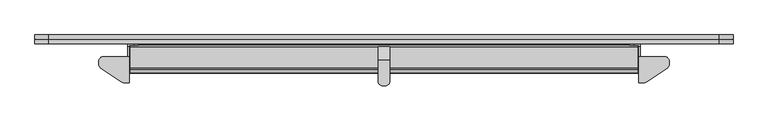
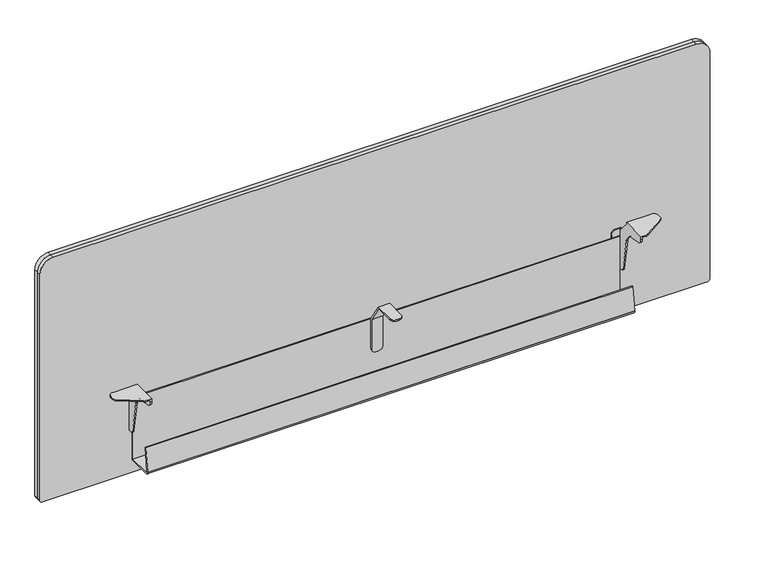
"""IFC4 building model written with IfcOpenShell, lengths in millimetres: furniture geometry."""

from ifc_helpers import new_model, si_unit, point, frame, frame_2d, origin, place, context, project, spatial, polyline, circle_curve, trimmed, segment, composite_curve, outline, extrude, source, transform, mapped, element, save
from ifc_brep_helpers import plane_surface, cylinder_surface, revolved_surface, advanced_brep


def furniture_73916bca(model_context):
    return source(origin(), model_context, "Body", "SolidModel", [
        advanced_brep(
        [(749.2997169, -57.9120008, 711.1999758), (749.2997169, -57.9120008, 708.1519787), (758.8247169, -67.4370008, 708.1519787), (758.8247169, -67.4370008, 711.1999758), (774.6996927, -57.9120008, 708.1519787), (774.6996927, -57.9120008, 711.1999758), (765.1746927, -67.4370008, 711.1999758), (765.1746927, -67.4370008, 708.1519787), (749.2997169, -12.1411998, 711.1999758), (749.2997169, 17.6541421, 665.1039487), (749.2997169, 17.6541421, 594.5378016), (749.2997169, 14.4780006, 594.5378016), (749.2997169, 14.4780006, 665.3021959), (749.2997169, -13.2190484, 708.1519787), (774.6996927, -13.2190484, 708.1519787), (774.6996927, 14.4780006, 665.3021959), (774.6996927, 14.4780006, 594.5378016), (774.6996927, 17.6541421, 594.5378016), (774.6996927, 17.6541421, 665.1039487), (774.6996927, -12.1411998, 711.1999758), (765.1746927, 17.6541421, 585.0128016), (758.8247169, 17.6541421, 585.0128016), (758.8247169, 14.4780006, 585.0128016), (765.1746927, 14.4780006, 585.0128016)],
        [
            (0, 1),
            (1, 2, circle_curve(frame((758.8247169, -57.9120008, 708.1519787), z_axis=(0.0, 0.0, 1.0), x_axis=(0.0, 1.0, 0.0)), 9.525)),
            (2, 3),
            (3, 0, circle_curve(frame((758.8247169, -57.9120008, 711.1999758), z_axis=(0.0, 0.0, -1.0), x_axis=(0.0, 1.0, 0.0)), 9.525)),
            (4, 5),
            (5, 6, circle_curve(frame((765.1746927, -57.9120008, 711.1999758), z_axis=(0.0, 0.0, -1.0), x_axis=(0.0, 1.0, 0.0)), 9.525)),
            (6, 7),
            (7, 4, circle_curve(frame((765.1746927, -57.9120008, 708.1519787), z_axis=(0.0, 0.0, 1.0), x_axis=(0.0, 1.0, 0.0)), 9.525)),
            (8, 9),
            (9, 10),
            (10, 11),
            (11, 12),
            (12, 13),
            (13, 1),
            (0, 8),
            (14, 15),
            (15, 16),
            (16, 17),
            (17, 18),
            (18, 19),
            (19, 5),
            (4, 14),
            (13, 14),
            (7, 2),
            (19, 8),
            (3, 6),
            (18, 9),
            (17, 20, circle_curve(frame((765.1746927, 17.6541421, 594.5378016), z_axis=(0.0, 1.0, 0.0), x_axis=(-1.0, 0.0, 0.0)), 9.525)),
            (20, 21),
            (21, 10, circle_curve(frame((758.8247169, 17.6541421, 594.5378016), z_axis=(0.0, 1.0, 0.0), x_axis=(-1.0, 0.0, 0.0)), 9.525)),
            (15, 12),
            (11, 22, circle_curve(frame((758.8247169, 14.4780006, 594.5378016), z_axis=(0.0, -1.0, 0.0), x_axis=(-1.0, 0.0, 0.0)), 9.525)),
            (22, 23),
            (23, 16, circle_curve(frame((765.1746927, 14.4780006, 594.5378016), z_axis=(0.0, -1.0, 0.0), x_axis=(-1.0, 0.0, 0.0)), 9.525)),
            (22, 21),
            (20, 23),
        ],
        [
            cylinder_surface(frame((758.8247169, -57.9120008, 711.1999758), z_axis=(0.0, 0.0, 1.0), x_axis=(0.0, 1.0, 0.0)), 9.525),
            cylinder_surface(frame((765.1746927, -57.9120008, 711.1999758), z_axis=(0.0, 0.0, 1.0), x_axis=(0.0, 1.0, 0.0)), 9.525),
            plane_surface(frame((749.2997169, -6.35, 629.5388266), z_axis=(-1.0, 0.0, 0.0), x_axis=(0.0, 0.0, 1.0))),
            plane_surface(frame((774.6996927, -6.35, 629.5388266), z_axis=(1.0, 0.0, 0.0), x_axis=(0.0, 0.0, 1.0))),
            plane_surface(frame((749.2997169, -13.2190484, 708.1519787), z_axis=(0.0, 0.0, -1.0), x_axis=(1.0, 0.0, 0.0))),
            plane_surface(frame((749.2997169, -67.4370008, 711.1999758), z_axis=(0.0, 0.0, 1.0), x_axis=(1.0, 0.0, 0.0))),
            plane_surface(frame((749.2997169, -12.1411998, 711.1999758), z_axis=(0.0, 0.8398318088964818, 0.5428466936121683), x_axis=(1.0, 0.0, 0.0))),
            plane_surface(frame((749.2997169, 17.6541421, 665.1039487), z_axis=(0.0, 1.0, 0.0), x_axis=(1.0, 0.0, 0.0))),
            plane_surface(frame((749.2997169, 14.4780006, 585.0128016), z_axis=(0.0, -1.0, 0.0), x_axis=(1.0, 0.0, 0.0))),
            plane_surface(frame((749.2997169, 14.4780006, 665.3021959), z_axis=(0.0, -0.8398318106362306, -0.5428466909206233), x_axis=(1.0, 0.0, 0.0))),
            plane_surface(frame((749.2997169, -67.4370008, 708.1519787), z_axis=(0.0, -1.0, 0.0), x_axis=(1.0, 0.0, 0.0))),
            plane_surface(frame((749.2997169, 17.6541421, 585.0128016), z_axis=(0.0, 0.0, -1.0), x_axis=(1.0, 0.0, 0.0))),
            cylinder_surface(frame((758.8247169, 14.4780006, 594.5378016), z_axis=(0.0, -1.0, 0.0), x_axis=(-1.0, 0.0, 0.0)), 9.525),
            cylinder_surface(frame((765.1746927, 14.4780006, 594.5378016), z_axis=(0.0, -1.0, 0.0), x_axis=(-1.0, 0.0, 0.0)), 9.525),
        ],
        [
            (0, [[1, 2, 3, 4]]),
            (1, [[5, 6, 7, 8]]),
            (2, [[9, 10, 11, 12, 13, 14, -1, 15]]),
            (3, [[16, 17, 18, 19, 20, 21, -5, 22]]),
            (4, [[23, -22, -8, 24, -2, -14]]),
            (5, [[25, -15, -4, 26, -6, -21]]),
            (6, [[-9, -25, -20, 27]]),
            (7, [[-27, -19, 28, 29, 30, -10]]),
            (8, [[31, -12, 32, 33, 34, -17]]),
            (9, [[-13, -31, -16, -23]]),
            (10, [[-26, -3, -24, -7]]),
            (11, [[-33, 35, -29, 36]]),
            (12, [[-11, -30, -35, -32]]),
            (13, [[-18, -34, -36, -28]]),
        ],
    ),
        advanced_brep(
        [(206.8829935, -4.3180001, 711.1999758), (150.402651, -4.3180001, 711.1999758), (140.5889931, -14.1316581, 711.1999758), (140.5889931, -20.7803664, 711.1999758), (145.2146694, -29.3891686, 711.1999758), (190.0644164, -59.0745687, 711.1999758), (196.3290217, -60.9600009, 711.1999758), (206.8829935, -60.9600009, 711.1999758), (196.3290217, -60.9600009, 708.1519787), (190.0644164, -59.0745687, 708.1519787), (145.2146694, -29.3891686, 708.1519787), (140.5889931, -20.7803664, 708.1519787), (140.5889931, -14.1316581, 708.1519787), (150.402651, -4.3180001, 708.1519787), (203.8349964, -4.3180001, 708.1519787), (203.8349964, -60.9600009, 708.1519787), (206.8829935, -4.3180001, 706.1199806), (203.8349964, -4.3180001, 706.1199806), (203.8349964, -60.9600009, 703.8265101), (206.8829935, -60.9600009, 703.8265101), (206.8829935, -50.2113329, 691.0167374), (206.8829935, -23.9076971, 686.378678), (206.8829935, -3.731792, 666.2027591), (206.8829935, 9.5046172, 591.1353553), (206.8829935, 15.6509087, 585.9780044), (206.8829935, 20.8280006, 585.9780044), (206.8829935, 20.8280006, 681.227968), (206.8829935, 18.7960002, 681.227968), (203.8349964, 18.7960002, 681.227968), (203.8349964, 24.0041421, 681.227968), (203.8349964, 24.0041421, 585.9780044), (203.8349964, 15.6509087, 585.9780044), (203.8349964, 9.5046172, 591.1353553), (203.8349964, -3.731792, 666.2027591), (203.8349964, -23.9076971, 686.378678), (203.8349964, -50.2113329, 691.0167374), (216.6619932, 24.0041421, 681.227968), (226.1869932, 24.0041421, 671.702968), (226.1869932, 24.0041421, 595.5030044), (216.6619932, 24.0041421, 585.9780044), (216.6619932, 20.8280006, 585.9780044), (216.6619932, 20.8280006, 681.227968), (226.1869932, 20.8280006, 595.5030044), (226.1869932, 20.8280006, 671.702968)],
        [
            (0, 1),
            (1, 2, circle_curve(frame((150.402651, -14.1316581, 711.1999758), z_axis=(0.0, 0.0, 1.0), x_axis=(-1.0, 0.0, 0.0)), 9.8136579)),
            (2, 3),
            (3, 4, circle_curve(frame((150.9127113, -20.7803664, 711.1999758), z_axis=(0.0, 0.0, 1.0), x_axis=(-1.0, 0.0, 0.0)), 10.3237182)),
            (4, 5),
            (5, 6, circle_curve(frame((196.3290217, -49.6097826, 711.1999758), z_axis=(0.0, 0.0, 1.0), x_axis=(-1.0, 0.0, 0.0)), 11.3502183)),
            (6, 7),
            (7, 0),
            (8, 9, circle_curve(frame((196.3290217, -49.6097826, 708.1519787), z_axis=(0.0, 0.0, -1.0), x_axis=(-1.0, 0.0, 0.0)), 11.3502183)),
            (9, 10),
            (10, 11, circle_curve(frame((150.9127113, -20.7803664, 708.1519787), z_axis=(0.0, 0.0, -1.0), x_axis=(-1.0, 0.0, 0.0)), 10.3237182)),
            (11, 12),
            (12, 13, circle_curve(frame((150.402651, -14.1316581, 708.1519787), z_axis=(0.0, 0.0, -1.0), x_axis=(-1.0, 0.0, 0.0)), 9.8136579)),
            (13, 14),
            (14, 15),
            (15, 8),
            (0, 16),
            (16, 17),
            (17, 14),
            (13, 1),
            (12, 2),
            (11, 3),
            (10, 4),
            (9, 5),
            (8, 6),
            (15, 18),
            (18, 19),
            (19, 7),
            (19, 20, circle_curve(frame((206.8829935, -47.9526152, 703.8265101), z_axis=(1.0, 0.0, 0.0), x_axis=(0.0, 1.0, 0.0)), 13.0073857)),
            (20, 21),
            (21, 22, circle_curve(frame((206.8829935, -28.2268544, 661.8836185), z_axis=(-1.0, 0.0, 0.0), x_axis=(0.0, 1.0, 0.0)), 24.8729383)),
            (22, 23),
            (23, 24, circle_curve(frame((206.8829935, 15.6509087, 592.2191124), z_axis=(1.0, 0.0, 0.0), x_axis=(0.0, 1.0, 0.0)), 6.241108)),
            (24, 25),
            (25, 26),
            (26, 27),
            (27, 16),
            (17, 28),
            (28, 29),
            (29, 30),
            (30, 31),
            (31, 32, circle_curve(frame((203.8349964, 15.6509087, 592.2191124), z_axis=(-1.0, 0.0, 0.0), x_axis=(0.0, 1.0, 0.0)), 6.241108)),
            (32, 33),
            (33, 34, circle_curve(frame((203.8349964, -28.2268544, 661.8836185), z_axis=(1.0, 0.0, 0.0), x_axis=(0.0, 1.0, 0.0)), 24.8729383)),
            (34, 35),
            (35, 18, circle_curve(frame((203.8349964, -47.9526152, 703.8265101), z_axis=(-1.0, 0.0, 0.0), x_axis=(0.0, 1.0, 0.0)), 13.0073857)),
            (29, 36),
            (36, 37, circle_curve(frame((216.6619932, 24.0041421, 671.702968), z_axis=(0.0, 1.0, 0.0), x_axis=(1.0, 0.0, 0.0)), 9.525)),
            (37, 38),
            (38, 39, circle_curve(frame((216.6619932, 24.0041421, 595.5030044), z_axis=(0.0, 1.0, 0.0), x_axis=(1.0, 0.0, 0.0)), 9.525)),
            (39, 30),
            (35, 20),
            (34, 21),
            (33, 22),
            (32, 23),
            (31, 24),
            (39, 40),
            (40, 25),
            (28, 27),
            (26, 41),
            (41, 36),
            (40, 42, circle_curve(frame((216.6619932, 20.8280006, 595.5030044), z_axis=(0.0, -1.0, 0.0), x_axis=(1.0, 0.0, 0.0)), 9.525)),
            (42, 43),
            (43, 41, circle_curve(frame((216.6619932, 20.8280006, 671.702968), z_axis=(0.0, -1.0, 0.0), x_axis=(1.0, 0.0, 0.0)), 9.525)),
            (38, 42),
            (37, 43),
        ],
        [
            plane_surface(frame((150.402651, -4.3180001, 711.1999758), z_axis=(0.0, 0.0, 1.0), x_axis=(-1.0, 0.0, 0.0))),
            plane_surface(frame((150.402651, -4.3180001, 708.1519787), z_axis=(0.0, 0.0, -1.0), x_axis=(1.0, 0.0, 0.0))),
            plane_surface(frame((206.8829935, -4.3180001, 711.1999758), z_axis=(0.0, 1.0, 0.0), x_axis=(0.0, 0.0, -1.0))),
            cylinder_surface(frame((150.402651, -14.1316581, 708.1519787), z_axis=(0.0, 0.0, 1.0), x_axis=(-1.0, 0.0, 0.0)), 9.8136579),
            plane_surface(frame((140.5889931, -14.1316581, 711.1999758), z_axis=(-1.0, 0.0, 0.0), x_axis=(0.0, 0.0, -1.0))),
            cylinder_surface(frame((150.9127113, -20.7803664, 708.1519787), z_axis=(0.0, 0.0, 1.0), x_axis=(-1.0, 0.0, 0.0)), 10.3237182),
            plane_surface(frame((145.2146694, -29.3891686, 711.1999758), z_axis=(-0.5519369866119054, -0.8338858212068182, 0.0), x_axis=(0.0, 0.0, -1.0))),
            cylinder_surface(frame((196.3290217, -49.6097826, 708.1519787), z_axis=(0.0, 0.0, 1.0), x_axis=(-1.0, 0.0, 0.0)), 11.3502183),
            plane_surface(frame((196.3290217, -60.9600009, 711.1999758), z_axis=(0.0, -1.0, 0.0), x_axis=(0.0, 0.0, -1.0))),
            plane_surface(frame((206.8829935, -60.9600009, 711.1999758), z_axis=(1.0, 0.0, 0.0), x_axis=(0.0, 0.0, -1.0))),
            plane_surface(frame((203.8349964, -60.9600009, 708.1519787), z_axis=(-1.0, 0.0, 0.0), x_axis=(0.0, 1.0, 0.0))),
            plane_surface(frame((206.8829935, 24.0041421, 585.9780044), z_axis=(0.0, 1.0, 0.0), x_axis=(-1.0, 0.0, 0.0))),
            cylinder_surface(frame((203.8349964, -47.9526152, 703.8265101), z_axis=(1.0, 0.0, 0.0), x_axis=(0.0, 1.0, 0.0)), 13.0073857),
            plane_surface(frame((206.8829935, -50.2113329, 691.0167374), z_axis=(0.0, -0.17364885742427638, -0.9848076331524057), x_axis=(-1.0, 0.0, 0.0))),
            revolved_surface(polyline([(203.8349964, -3.3539160999999993, 661.8836185), (206.8829935, -3.3539160999999993, 661.8836185)]), (203.8349964, -28.2268544, 661.8836185), (-1.0, 0.0, 0.0)),
            plane_surface(frame((206.8829935, -3.731792, 666.2027591), z_axis=(0.0, -0.9848077519646093, -0.17364818360815795), x_axis=(-1.0, 0.0, 0.0))),
            cylinder_surface(frame((203.8349964, 15.6509087, 592.2191124), z_axis=(1.0, 0.0, 0.0), x_axis=(0.0, 1.0, 0.0)), 6.241108),
            plane_surface(frame((206.8829935, 15.6509087, 585.9780044), z_axis=(0.0, 0.0, -1.0), x_axis=(-1.0, 0.0, 0.0))),
            plane_surface(frame((206.8829935, 24.0041421, 681.227968), z_axis=(0.0, 0.0, 1.0), x_axis=(-1.0, 0.0, 0.0))),
            plane_surface(frame((206.8829935, 18.7960002, 681.227968), z_axis=(0.0, 0.7327936577078579, 0.6804509205101709), x_axis=(-1.0, 0.0, 0.0))),
            plane_surface(frame((216.6619932, 20.8280006, 585.9780044), z_axis=(0.0, -1.0, 0.0), x_axis=(1.0, 0.0, 0.0))),
            cylinder_surface(frame((216.6619932, 24.0041421, 595.5030044), z_axis=(0.0, -1.0, 0.0), x_axis=(1.0, 0.0, 0.0)), 9.525),
            plane_surface(frame((226.1869932, 20.8280006, 595.5030044), z_axis=(1.0, 0.0, 0.0), x_axis=(0.0, 1.0, 0.0))),
            cylinder_surface(frame((216.6619932, 24.0041421, 671.702968), z_axis=(0.0, -1.0, 0.0), x_axis=(1.0, 0.0, 0.0)), 9.525),
        ],
        [
            (0, [[1, 2, 3, 4, 5, 6, 7, 8]]),
            (1, [[9, 10, 11, 12, 13, 14, 15, 16]]),
            (2, [[-1, 17, 18, 19, -14, 20]]),
            (3, [[-2, -20, -13, 21]]),
            (4, [[-3, -21, -12, 22]]),
            (5, [[-4, -22, -11, 23]]),
            (6, [[-5, -23, -10, 24]]),
            (7, [[-6, -24, -9, 25]]),
            (8, [[-7, -25, -16, 26, 27, 28]]),
            (9, [[-8, -28, 29, 30, 31, 32, 33, 34, 35, 36, 37, -17]]),
            (10, [[-19, 38, 39, 40, 41, 42, 43, 44, 45, 46, -26, -15]]),
            (11, [[-40, 47, 48, 49, 50, 51]]),
            (12, [[-46, 52, -29, -27]]),
            (13, [[-45, 53, -30, -52]]),
            (14, [[-44, 54, -31, -53]]),
            (15, [[-43, 55, -32, -54]]),
            (16, [[-42, 56, -33, -55]]),
            (17, [[-56, -41, -51, 57, 58, -34]]),
            (18, [[59, -36, 60, 61, -47, -39]]),
            (19, [[-38, -18, -37, -59]]),
            (20, [[62, 63, 64, -60, -35, -58]]),
            (21, [[-62, -57, -50, 65]]),
            (22, [[-63, -65, -49, 66]]),
            (23, [[-64, -66, -48, -61]]),
        ],
    ),
        advanced_brep(
        [(1317.1169884, -4.3180001, 711.1999758), (1317.1169884, -60.9600009, 711.1999758), (1327.6709601, -60.9600009, 711.1999758), (1333.9355654, -59.0745687, 711.1999758), (1378.7853125, -29.3891686, 711.1999758), (1383.4109887, -20.7803664, 711.1999758), (1383.4109887, -14.1316581, 711.1999758), (1373.5973308, -4.3180001, 711.1999758), (1373.5973308, -4.3180001, 708.1519787), (1383.4109887, -14.1316581, 708.1519787), (1383.4109887, -20.7803664, 708.1519787), (1378.7853125, -29.3891686, 708.1519787), (1333.9355654, -59.0745687, 708.1519787), (1327.6709601, -60.9600009, 708.1519787), (1320.1649855, -60.9600009, 708.1519787), (1320.1649855, -4.3180001, 708.1519787), (1317.1169884, -4.3180001, 706.1199806), (1317.1169884, 18.7960002, 681.227968), (1317.1169884, 20.8280006, 681.227968), (1317.1169884, 20.8280006, 585.9780044), (1317.1169884, 15.6509087, 585.9780044), (1317.1169884, 9.5046172, 591.1353553), (1317.1169884, -3.731792, 666.2027591), (1317.1169884, -23.9076971, 686.378678), (1317.1169884, -50.2113329, 691.0167374), (1317.1169884, -60.9600009, 703.8265101), (1320.1649855, -60.9600009, 703.8265101), (1320.1649855, -4.3180001, 706.1199806), (1320.1655941, 24.0041421, 585.9780044), (1307.3385972, 24.0041421, 585.9780044), (1297.8135972, 24.0041421, 595.5030044), (1297.8135972, 24.0041421, 671.702968), (1307.3385972, 24.0041421, 681.227968), (1320.1655941, 24.0041421, 681.227968), (1307.3385972, 20.8280006, 681.227968), (1297.8135972, 20.8280006, 671.702968), (1297.8135972, 20.8280006, 595.5030044), (1307.3385972, 20.8280006, 585.9780044), (1320.1655941, 18.7960002, 681.227968), (1320.1655941, -50.2113329, 691.0167374), (1320.1655941, -23.9076971, 686.378678), (1320.1655941, -3.731792, 666.2027591), (1320.1655941, 9.5046172, 591.1353553), (1320.1655941, 15.6509087, 585.9780044)],
        [
            (0, 1),
            (1, 2),
            (2, 3, circle_curve(frame((1327.6709601, -49.6097826, 711.1999758), z_axis=(0.0, 0.0, 1.0), x_axis=(-1.0, 0.0, 0.0)), 11.3502183)),
            (3, 4),
            (4, 5, circle_curve(frame((1373.0872706, -20.7803664, 711.1999758), z_axis=(0.0, 0.0, 1.0), x_axis=(-1.0, 0.0, 0.0)), 10.3237182)),
            (5, 6),
            (6, 7, circle_curve(frame((1373.5973308, -14.1316581, 711.1999758), z_axis=(0.0, 0.0, 1.0), x_axis=(-1.0, 0.0, 0.0)), 9.8136579)),
            (7, 0),
            (8, 9, circle_curve(frame((1373.5973308, -14.1316581, 708.1519787), z_axis=(0.0, 0.0, -1.0), x_axis=(-1.0, 0.0, 0.0)), 9.8136579)),
            (9, 10),
            (10, 11, circle_curve(frame((1373.0872706, -20.7803664, 708.1519787), z_axis=(0.0, 0.0, -1.0), x_axis=(-1.0, 0.0, 0.0)), 10.3237182)),
            (11, 12),
            (12, 13, circle_curve(frame((1327.6709601, -49.6097826, 708.1519787), z_axis=(0.0, 0.0, -1.0), x_axis=(-1.0, 0.0, 0.0)), 11.3502183)),
            (13, 14),
            (14, 15),
            (15, 8),
            (0, 16),
            (16, 17),
            (17, 18),
            (18, 19),
            (19, 20),
            (20, 21, circle_curve(frame((1317.1169884, 15.6509087, 592.2191124), z_axis=(-1.0, 0.0, 0.0), x_axis=(0.0, 1.0, 0.0)), 6.241108)),
            (21, 22),
            (22, 23, circle_curve(frame((1317.1169884, -28.2268544, 661.8836185), z_axis=(1.0, 0.0, 0.0), x_axis=(0.0, 1.0, 0.0)), 24.8729383)),
            (23, 24),
            (24, 25, circle_curve(frame((1317.1169884, -47.9526152, 703.8265101), z_axis=(-1.0, 0.0, 0.0), x_axis=(0.0, 1.0, 0.0)), 13.0073857)),
            (25, 1),
            (25, 26),
            (26, 14),
            (13, 2),
            (12, 3),
            (11, 4),
            (10, 5),
            (9, 6),
            (8, 7),
            (15, 27),
            (27, 16),
            (28, 29),
            (29, 30, circle_curve(frame((1307.3385972, 24.0041421, 595.5030044), z_axis=(0.0, 1.0, 0.0), x_axis=(1.0, 0.0, 0.0)), 9.525)),
            (30, 31),
            (31, 32, circle_curve(frame((1307.3385972, 24.0041421, 671.702968), z_axis=(0.0, 1.0, 0.0), x_axis=(1.0, 0.0, 0.0)), 9.525)),
            (32, 33),
            (33, 28),
            (34, 35, circle_curve(frame((1307.3385972, 20.8280006, 671.702968), z_axis=(0.0, -1.0, 0.0), x_axis=(1.0, 0.0, 0.0)), 9.525)),
            (35, 36),
            (36, 37, circle_curve(frame((1307.3385972, 20.8280006, 595.5030044), z_axis=(0.0, -1.0, 0.0), x_axis=(1.0, 0.0, 0.0)), 9.525)),
            (37, 19),
            (18, 34),
            (33, 38),
            (38, 27),
            (26, 39, circle_curve(frame((1320.1655941, -47.9526152, 703.8265101), z_axis=(1.0, 0.0, 0.0), x_axis=(0.0, 1.0, 0.0)), 13.0073857)),
            (39, 40),
            (40, 41, circle_curve(frame((1320.1655941, -28.2268544, 661.8836185), z_axis=(-1.0, 0.0, 0.0), x_axis=(0.0, 1.0, 0.0)), 24.8729383)),
            (41, 42),
            (42, 43, circle_curve(frame((1320.1655941, 15.6509087, 592.2191124), z_axis=(1.0, 0.0, 0.0), x_axis=(0.0, 1.0, 0.0)), 6.241108)),
            (43, 28),
            (32, 34),
            (17, 38),
            (31, 35),
            (30, 36),
            (29, 37),
            (43, 20),
            (39, 24),
            (23, 40),
            (42, 21),
            (41, 22),
        ],
        [
            plane_surface(frame((150.402651, -4.3180001, 711.1999758), z_axis=(0.0, 0.0, 1.0), x_axis=(-1.0, 0.0, 0.0))),
            plane_surface(frame((150.402651, -4.3180001, 708.1519787), z_axis=(0.0, 0.0, -1.0), x_axis=(1.0, 0.0, 0.0))),
            plane_surface(frame((1317.1169884, -4.3180001, 711.1999758), z_axis=(-1.0, 0.0, 0.0), x_axis=(0.0, 0.0, -1.0))),
            plane_surface(frame((1317.1169884, -60.9600009, 711.1999758), z_axis=(0.0, -1.0, 0.0), x_axis=(0.0, 0.0, -1.0))),
            cylinder_surface(frame((1327.6709601, -49.6097826, 629.5388266), z_axis=(0.0, 0.0, 1.0), x_axis=(-1.0, 0.0, 0.0)), 11.3502183),
            plane_surface(frame((1333.9355654, -59.0745687, 711.1999758), z_axis=(0.5519369866119054, -0.8338858212068181, 0.0), x_axis=(0.0, 0.0, -1.0))),
            cylinder_surface(frame((1373.0872706, -20.7803664, 629.5388266), z_axis=(0.0, 0.0, 1.0), x_axis=(-1.0, 0.0, 0.0)), 10.3237182),
            plane_surface(frame((1383.4109887, -20.7803664, 711.1999758), z_axis=(1.0, 0.0, 0.0), x_axis=(0.0, 0.0, -1.0))),
            cylinder_surface(frame((1373.5973308, -14.1316581, 629.5388266), z_axis=(0.0, 0.0, 1.0), x_axis=(-1.0, 0.0, 0.0)), 9.8136579),
            plane_surface(frame((1373.5973308, -4.3180001, 711.1999758), z_axis=(0.0, 1.0, 0.0), x_axis=(0.0, 0.0, -1.0))),
            plane_surface(frame((206.8829935, 24.0041421, 585.9780044), z_axis=(0.0, 1.0, 0.0), x_axis=(-1.0, 0.0, 0.0))),
            plane_surface(frame((216.6619932, 20.8280006, 585.9780044), z_axis=(0.0, -1.0, 0.0), x_axis=(1.0, 0.0, 0.0))),
            plane_surface(frame((1320.1655941, 20.8280006, 585.9780044), z_axis=(1.0, 0.0, 0.0), x_axis=(0.0, 1.0, 0.0))),
            plane_surface(frame((1320.1655941, 20.8280006, 681.227968), z_axis=(0.0, 0.0, 1.0), x_axis=(0.0, 1.0, 0.0))),
            cylinder_surface(frame((1307.3385972, 0.0, 671.702968), z_axis=(0.0, -1.0, 0.0), x_axis=(1.0, 0.0, 0.0)), 9.525),
            plane_surface(frame((1297.8135972, 20.8280006, 671.702968), z_axis=(-1.0, 0.0, 0.0), x_axis=(0.0, 1.0, 0.0))),
            cylinder_surface(frame((1307.3385972, 0.0, 595.5030044), z_axis=(0.0, -1.0, 0.0), x_axis=(1.0, 0.0, 0.0)), 9.525),
            plane_surface(frame((1307.3385972, 20.8280006, 585.9780044), z_axis=(0.0, 0.0, -1.0), x_axis=(0.0, 1.0, 0.0))),
            plane_surface(frame((1317.1169884, -23.9076971, 686.378678), z_axis=(0.0, -0.17364885742426076, -0.9848076331524085), x_axis=(1.0, 0.0, 0.0))),
            cylinder_surface(frame((1320.1649855, -47.9526152, 703.8265101), z_axis=(-1.0, 0.0, 0.0), x_axis=(0.0, 1.0, 0.0)), 13.0073857),
            plane_surface(frame((1317.1169884, -4.3180001, 706.1199806), z_axis=(0.0, 0.7327936577079038, 0.6804509205101213), x_axis=(1.0, 0.0, 0.0))),
            cylinder_surface(frame((1320.1649855, 15.6509087, 592.2191124), z_axis=(-1.0, 0.0, 0.0), x_axis=(0.0, 1.0, 0.0)), 6.241108),
            plane_surface(frame((1317.1169884, 9.5046172, 591.1353553), z_axis=(0.0, -0.9848077519646028, -0.1736481836081949), x_axis=(1.0, 0.0, 0.0))),
            revolved_surface(polyline([(1320.1655941, -3.3539160999999993, 661.8836185), (1317.1169884, -3.3539160999999993, 661.8836185)]), (1320.1649855, -28.2268544, 661.8836185), (1.0, 0.0, 0.0)),
        ],
        [
            (0, [[1, 2, 3, 4, 5, 6, 7, 8]]),
            (1, [[9, 10, 11, 12, 13, 14, 15, 16]]),
            (2, [[-1, 17, 18, 19, 20, 21, 22, 23, 24, 25, 26, 27]]),
            (3, [[-2, -27, 28, 29, -14, 30]]),
            (4, [[-3, -30, -13, 31]]),
            (5, [[-4, -31, -12, 32]]),
            (6, [[-5, -32, -11, 33]]),
            (7, [[-6, -33, -10, 34]]),
            (8, [[-7, -34, -9, 35]]),
            (9, [[-17, -8, -35, -16, 36, 37]]),
            (10, [[38, 39, 40, 41, 42, 43]]),
            (11, [[44, 45, 46, 47, -20, 48]]),
            (12, [[-43, 49, 50, -36, -15, -29, 51, 52, 53, 54, 55, 56]]),
            (13, [[-49, -42, 57, -48, -19, 58]]),
            (14, [[-44, -57, -41, 59]]),
            (15, [[-45, -59, -40, 60]]),
            (16, [[-46, -60, -39, 61]]),
            (17, [[-56, 62, -21, -47, -61, -38]]),
            (18, [[-52, 63, -25, 64]]),
            (19, [[-51, -28, -26, -63]]),
            (20, [[-50, -58, -18, -37]]),
            (21, [[-55, 65, -22, -62]]),
            (22, [[-54, 66, -23, -65]]),
            (23, [[-53, -64, -24, -66]]),
        ],
    ),
        advanced_brep(
        [(1516.1333048, 24.0439405, 481.5071282), (1522.4833048, 24.0439405, 487.8571282), (1522.4833048, 24.0439405, 1029.9183559), (1492.0033048, 24.0439405, 1060.3983559), (32.0103004, 24.0439405, 1060.3983559), (1.5303004, 24.0439405, 1029.9183559), (1.5303004, 24.0439405, 487.8571282), (7.8803004, 24.0439405, 481.5071282), (1522.4833048, 43.052968, 487.8571282), (1516.1333048, 43.052968, 481.5071282), (7.8803004, 43.052968, 481.5071282), (1.5303004, 43.052968, 487.8571282), (1.5303004, 43.052968, 1029.9183559), (32.0103004, 43.052968, 1060.3983559), (1492.0033048, 43.052968, 1060.3983559), (1522.4833048, 43.052968, 1029.9183559), (1522.4833048, 33.781986, 487.8571282), (1516.1333048, 33.781986, 481.5071282), (1521.6831773, 33.5484543, 487.8571282), (1516.1333048, 33.5484543, 482.3072558), (1522.4833048, 33.3149225, 487.8571282), (1516.1333048, 33.3149225, 481.5071282), (1522.4833048, 33.781986, 1029.9183559), (1521.6831773, 33.5484543, 1029.9183559), (1522.4833048, 33.3149225, 1029.9183559), (1492.0033048, 33.781986, 1060.3983559), (1492.0033048, 33.5484543, 1059.5982283), (1492.0033048, 33.3149225, 1060.3983559), (32.0103004, 33.781986, 1060.3983559), (32.0103004, 33.5484543, 1059.5982283), (32.0103004, 33.3149225, 1060.3983559), (1.5303004, 33.781986, 1029.9183559), (2.3304279, 33.5484543, 1029.9183559), (1.5303004, 33.3149225, 1029.9183559), (1.5303004, 33.781986, 487.8571282), (2.3304279, 33.5484543, 487.8571282), (1.5303004, 33.3149225, 487.8571282), (7.8803004, 33.781986, 481.5071282), (7.8803004, 33.5484543, 482.3072558), (7.8803004, 33.3149225, 481.5071282)],
        [
            (0, 1, circle_curve(frame((1516.1333048, 24.0439405, 487.8571282), z_axis=(0.0, -1.0, 0.0), x_axis=(0.0, 0.0, -1.0)), 6.35)),
            (1, 2),
            (2, 3, circle_curve(frame((1492.0033048, 24.0439405, 1029.9183559), z_axis=(0.0, -1.0, 0.0), x_axis=(1.0, 0.0, 0.0)), 30.48)),
            (3, 4),
            (4, 5, circle_curve(frame((32.0103004, 24.0439405, 1029.9183559), z_axis=(0.0, -1.0, 0.0), x_axis=(0.0, 0.0, 1.0)), 30.48)),
            (5, 6),
            (6, 7, circle_curve(frame((7.8803004, 24.0439405, 487.8571282), z_axis=(0.0, -1.0, 0.0), x_axis=(-1.0, 0.0, 0.0)), 6.35)),
            (7, 0),
            (8, 9, circle_curve(frame((1516.1333048, 43.052968, 487.8571282), z_axis=(0.0, 1.0, 0.0), x_axis=(0.0, 0.0, -1.0)), 6.35)),
            (9, 10),
            (10, 11, circle_curve(frame((7.8803004, 43.052968, 487.8571282), z_axis=(0.0, 1.0, 0.0), x_axis=(-1.0, 0.0, 0.0)), 6.35)),
            (11, 12),
            (12, 13, circle_curve(frame((32.0103004, 43.052968, 1029.9183559), z_axis=(0.0, 1.0, 0.0), x_axis=(0.0, 0.0, 1.0)), 30.48)),
            (13, 14),
            (14, 15, circle_curve(frame((1492.0033048, 43.052968, 1029.9183559), z_axis=(0.0, 1.0, 0.0), x_axis=(1.0, 0.0, 0.0)), 30.48)),
            (15, 8),
            (16, 17, circle_curve(frame((1516.1333048, 33.781986, 487.8571282), z_axis=(0.0, 1.0, 0.0), x_axis=(0.0, 0.0, -1.0)), 6.35)),
            (17, 9),
            (8, 16),
            (16, 18),
            (18, 19, circle_curve(frame((1516.1333048, 33.5484543, 487.8571282), z_axis=(0.0, 1.0, 0.0), x_axis=(0.0, 0.0, -1.0)), 5.5498725)),
            (19, 17),
            (18, 20),
            (20, 21, circle_curve(frame((1516.1333048, 33.3149225, 487.8571282), z_axis=(0.0, 1.0, 0.0), x_axis=(0.0, 0.0, -1.0)), 6.35)),
            (21, 19),
            (20, 1),
            (0, 21),
            (15, 22),
            (22, 16),
            (22, 23),
            (23, 18),
            (23, 24),
            (24, 20),
            (24, 2),
            (14, 25),
            (25, 22, circle_curve(frame((1492.0033048, 33.781986, 1029.9183559), z_axis=(0.0, 1.0, 0.0), x_axis=(1.0, 0.0, 0.0)), 30.48)),
            (25, 26),
            (26, 23, circle_curve(frame((1492.0033048, 33.5484543, 1029.9183559), z_axis=(0.0, 1.0, 0.0), x_axis=(1.0, 0.0, 0.0)), 29.6798725)),
            (26, 27),
            (27, 24, circle_curve(frame((1492.0033048, 33.3149225, 1029.9183559), z_axis=(0.0, 1.0, 0.0), x_axis=(1.0, 0.0, 0.0)), 30.48)),
            (27, 3),
            (13, 28),
            (28, 25),
            (28, 29),
            (29, 26),
            (29, 30),
            (30, 27),
            (30, 4),
            (12, 31),
            (31, 28, circle_curve(frame((32.0103004, 33.781986, 1029.9183559), z_axis=(0.0, 1.0, 0.0), x_axis=(0.0, 0.0, 1.0)), 30.48)),
            (31, 32),
            (32, 29, circle_curve(frame((32.0103004, 33.5484543, 1029.9183559), z_axis=(0.0, 1.0, 0.0), x_axis=(0.0, 0.0, 1.0)), 29.6798725)),
            (32, 33),
            (33, 30, circle_curve(frame((32.0103004, 33.3149225, 1029.9183559), z_axis=(0.0, 1.0, 0.0), x_axis=(0.0, 0.0, 1.0)), 30.48)),
            (33, 5),
            (11, 34),
            (34, 31),
            (34, 35),
            (35, 32),
            (35, 36),
            (36, 33),
            (36, 6),
            (10, 37),
            (37, 34, circle_curve(frame((7.8803004, 33.781986, 487.8571282), z_axis=(0.0, 1.0, 0.0), x_axis=(-1.0, 0.0, 0.0)), 6.35)),
            (37, 38),
            (38, 35, circle_curve(frame((7.8803004, 33.5484543, 487.8571282), z_axis=(0.0, 1.0, 0.0), x_axis=(-1.0, 0.0, 0.0)), 5.5498725)),
            (38, 39),
            (39, 36, circle_curve(frame((7.8803004, 33.3149225, 487.8571282), z_axis=(0.0, 1.0, 0.0), x_axis=(-1.0, 0.0, 0.0)), 6.35)),
            (39, 7),
            (17, 37),
            (19, 38),
            (21, 39),
        ],
        [
            plane_surface(frame((3.8562405, 24.0439405, 487.8571282), z_axis=(0.0, -1.0, 0.0), x_axis=(0.0, 0.0, -1.0))),
            plane_surface(frame((3.8562405, 43.052968, 487.8571282), z_axis=(0.0, 1.0, 0.0), x_axis=(0.0, 0.0, 1.0))),
            cylinder_surface(frame((1516.1333048, 33.5484543, 487.8571282), z_axis=(0.0, -1.0, 0.0), x_axis=(0.0, 0.0, -1.0)), 6.35),
            revolved_surface(polyline([(1516.1333048, 33.781986, 481.5071282), (1516.1333048, 33.5484543, 482.3072558)]), (1516.1333048, 33.5484543, 487.8571282), (0.0, -1.0, 0.0)),
            revolved_surface(polyline([(1516.1333048, 33.5484543, 482.3072558), (1516.1333048, 33.3149225, 481.5071282)]), (1516.1333048, 33.5484543, 487.8571282), (0.0, -1.0, 0.0)),
            plane_surface(frame((1522.4833048, 43.052968, 487.8571282), z_axis=(1.0, 0.0, 0.0), x_axis=(0.0, 0.0, 1.0))),
            plane_surface(frame((1522.4833048, 33.781986, 487.8571282), z_axis=(0.28017820000937, -0.9599480070501264, 0.0), x_axis=(0.0, 0.0, 1.0))),
            plane_surface(frame((1521.6831773, 33.5484543, 487.8571282), z_axis=(0.28017820000557897, 0.959948007051233, 0.0), x_axis=(0.0, 0.0, 1.0))),
            plane_surface(frame((1522.4833048, 33.3149225, 487.8571282), z_axis=(1.0, 0.0, 0.0), x_axis=(0.0, 0.0, 1.0))),
            cylinder_surface(frame((1492.0033048, 33.5484543, 1029.9183559), z_axis=(0.0, -1.0, 0.0), x_axis=(1.0, 0.0, 0.0)), 30.48),
            revolved_surface(polyline([(1522.4833048, 33.781986, 1029.9183559), (1521.6831773, 33.5484543, 1029.9183559)]), (1492.0033048, 33.5484543, 1029.9183559), (0.0, -1.0, 0.0)),
            revolved_surface(polyline([(1521.6831773, 33.5484543, 1029.9183559), (1522.4833048, 33.3149225, 1029.9183559)]), (1492.0033048, 33.5484543, 1029.9183559), (0.0, -1.0, 0.0)),
            plane_surface(frame((1492.0033048, 43.052968, 1060.3983559), z_axis=(0.0, 0.0, 1.0), x_axis=(-1.0, 0.0, 0.0))),
            plane_surface(frame((1492.0033048, 33.781986, 1060.3983559), z_axis=(0.0, -0.9599480070501255, 0.2801782000093731), x_axis=(-1.0, 0.0, 0.0))),
            plane_surface(frame((1492.0033048, 33.5484543, 1059.5982283), z_axis=(0.0, 0.9599480070512338, 0.28017820000557586), x_axis=(-1.0, 0.0, 0.0))),
            plane_surface(frame((1492.0033048, 33.3149225, 1060.3983559), z_axis=(0.0, 0.0, 1.0), x_axis=(-1.0, 0.0, 0.0))),
            cylinder_surface(frame((32.0103004, 33.5484543, 1029.9183559), z_axis=(0.0, -1.0, 0.0), x_axis=(0.0, 0.0, 1.0)), 30.48),
            revolved_surface(polyline([(32.0103004, 33.781986, 1060.3983559), (32.0103004, 33.5484543, 1059.5982283)]), (32.0103004, 33.5484543, 1029.9183559), (0.0, -1.0, 0.0)),
            revolved_surface(polyline([(32.0103004, 33.5484543, 1059.5982283), (32.0103004, 33.3149225, 1060.3983559)]), (32.0103004, 33.5484543, 1029.9183559), (0.0, -1.0, 0.0)),
            plane_surface(frame((1.5303004, 43.052968, 1029.9183559), z_axis=(-1.0, 0.0, 0.0), x_axis=(0.0, 0.0, -1.0))),
            plane_surface(frame((1.5303004, 33.781986, 1029.9183559), z_axis=(-0.2801782000093762, -0.9599480070501246, 0.0), x_axis=(0.0, 0.0, -1.0))),
            plane_surface(frame((2.3304279, 33.5484543, 1029.9183559), z_axis=(-0.28017820000557275, 0.9599480070512347, 0.0), x_axis=(0.0, 0.0, -1.0))),
            plane_surface(frame((1.5303004, 33.3149225, 1029.9183559), z_axis=(-1.0, 0.0, 0.0), x_axis=(0.0, 0.0, -1.0))),
            cylinder_surface(frame((7.8803004, 33.5484543, 487.8571282), z_axis=(0.0, -1.0, 0.0), x_axis=(-1.0, 0.0, 0.0)), 6.35),
            revolved_surface(polyline([(1.5303004, 33.781986, 487.8571282), (2.3304279, 33.5484543, 487.8571282)]), (7.8803004, 33.5484543, 487.8571282), (0.0, -1.0, 0.0)),
            revolved_surface(polyline([(2.3304279, 33.5484543, 487.8571282), (1.5303004, 33.3149225, 487.8571282)]), (7.8803004, 33.5484543, 487.8571282), (0.0, -1.0, 0.0)),
            plane_surface(frame((7.8803004, 43.052968, 481.5071282), z_axis=(0.0, 0.0, -1.0), x_axis=(1.0, 0.0, 0.0))),
            plane_surface(frame((7.8803004, 33.781986, 481.5071282), z_axis=(0.0, -0.9599480070501255, -0.2801782000093731), x_axis=(1.0, 0.0, 0.0))),
            plane_surface(frame((7.8803004, 33.5484543, 482.3072558), z_axis=(0.0, 0.9599480070512338, -0.28017820000557586), x_axis=(1.0, 0.0, 0.0))),
            plane_surface(frame((7.8803004, 33.3149225, 481.5071282), z_axis=(0.0, 0.0, -1.0), x_axis=(1.0, 0.0, 0.0))),
        ],
        [
            (0, [[1, 2, 3, 4, 5, 6, 7, 8]]),
            (1, [[9, 10, 11, 12, 13, 14, 15, 16]]),
            (2, [[17, 18, -9, 19]]),
            (3, [[-17, 20, 21, 22]]),
            (4, [[-21, 23, 24, 25]]),
            (2, [[-24, 26, -1, 27]]),
            (5, [[-19, -16, 28, 29]]),
            (6, [[-20, -29, 30, 31]]),
            (7, [[-23, -31, 32, 33]]),
            (8, [[-26, -33, 34, -2]]),
            (9, [[-28, -15, 35, 36]]),
            (10, [[-30, -36, 37, 38]]),
            (11, [[-32, -38, 39, 40]]),
            (9, [[-34, -40, 41, -3]]),
            (12, [[-35, -14, 42, 43]]),
            (13, [[-37, -43, 44, 45]]),
            (14, [[-39, -45, 46, 47]]),
            (15, [[-41, -47, 48, -4]]),
            (16, [[-42, -13, 49, 50]]),
            (17, [[-44, -50, 51, 52]]),
            (18, [[-46, -52, 53, 54]]),
            (16, [[-48, -54, 55, -5]]),
            (19, [[-49, -12, 56, 57]]),
            (20, [[-51, -57, 58, 59]]),
            (21, [[-53, -59, 60, 61]]),
            (22, [[-55, -61, 62, -6]]),
            (23, [[-56, -11, 63, 64]]),
            (24, [[-58, -64, 65, 66]]),
            (25, [[-60, -66, 67, 68]]),
            (23, [[-62, -68, 69, -7]]),
            (26, [[-18, 70, -63, -10]]),
            (27, [[-22, 71, -65, -70]]),
            (28, [[-25, 72, -67, -71]]),
            (29, [[-27, -8, -69, -72]]),
        ],
    ),
        extrude(outline(composite_curve([segment(polyline([(-40.6393621, 521.8377669), (-33.1225172, 575.3229135), (-29.9784163, 574.8810436), (-37.4912878, 521.4241698)]), True, "CONTINUOUS"), segment(trimmed(circle_curve(frame_2d((-34.3225949, 520.9788392)), 3.1998334), [point((-37.4912878, 521.4241698))], [point((-34.3225949, 517.7790058))], True, "CARTESIAN"), True, "CONTINUOUS"), segment(polyline([(-34.3225949, 517.7790058), (17.6530002, 517.7790058), (17.6530002, 665.1847612), (20.8280006, 665.1847612), (20.8280006, 514.6040179), (-34.3511598, 514.6040179)]), True, "CONTINUOUS"), segment(trimmed(circle_curve(frame_2d((-34.3511598, 520.9540179)), 6.35), [point((-34.3511598, 514.6040179))], [point((-40.6393621, 521.8377669))], False, "CARTESIAN"), True, "CONTINUOUS")], self_intersect=False)), frame((209.2706021, 0.0, 0.0), z_axis=(1.0, 0.0, 0.0), x_axis=(0.0, 1.0, 0.0)), (0.0, 0.0, 1.0), 1105.458814),
    ])


if __name__ == "__main__":
    model = new_model("IFC4")
    model_context = context("Model", 3, world=origin())
    ifc_project = project(units=[si_unit("LENGTHUNIT", "METRE", prefix="MILLI")], contexts=[model_context])
    site = spatial("IfcSite", under=ifc_project)
    building = spatial("IfcBuilding", under=site)
    placement = place(None, origin())
    furniture_shape = furniture_73916bca(model_context)
    element("IfcFurniture", 1, at=placement, inside=building, context=model_context, shape_type="MappedRepresentation", body=[
        mapped(furniture_shape, transform((0.0, 0.0, 0.0), x_axis=(1.0, 0.0, 0.0), y_axis=(0.0, 1.0, 0.0), z_axis=(0.0, 0.0, 1.0))),
    ])
    save(model, "model.ifc")
